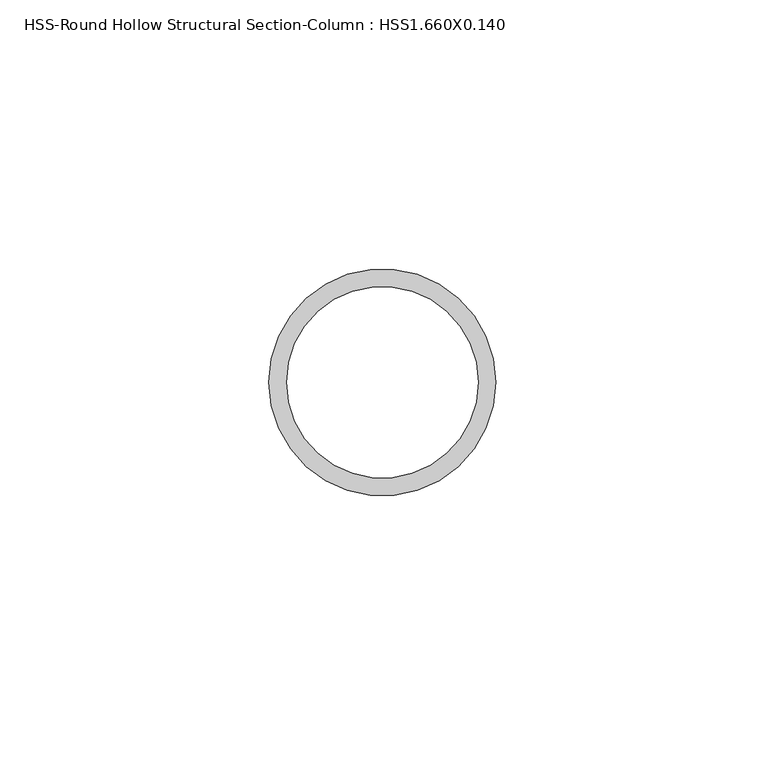
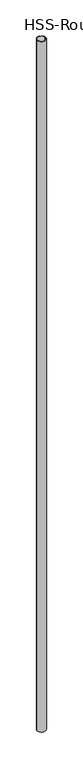
"""IFC4 building model written with IfcOpenShell, lengths in millimetres: column geometry, HSS-Round Hollow Structural Section-Column : HSS1.660X0.140."""

from ifc_helpers import new_model, si_unit, point, origin, origin_with_axes, origin_2d, place, context, project, spatial, circle_curve, trimmed, segment, composite_curve, outline, extrude, source, transform, mapped, element, save


def hss_round_hollow_structural_section_column_hss1_660x0_140_e87e50b9(model_context):
    return source(origin(), model_context, "Body", "SweptSolid", [
        extrude(outline(composite_curve([segment(trimmed(circle_curve(origin_2d(), 21.0839844), [point((-21.0839844, 0.0))], [point((21.0839844, 0.0))], False, "CARTESIAN"), True, "CONTINUOUS"), segment(trimmed(circle_curve(origin_2d(), 21.0839844), [point((21.0839844, 0.0))], [point((-21.0839844, 0.0))], False, "CARTESIAN"), True, "CONTINUOUS")], self_intersect=False), holes=[composite_curve([segment(trimmed(circle_curve(origin_2d(), 17.8097656), [point((-17.8097656, 0.0))], [point((17.8097656, 0.0))], True, "CARTESIAN"), True, "CONTINUOUS"), segment(trimmed(circle_curve(origin_2d(), 17.8097656), [point((17.8097656, 0.0))], [point((-17.8097656, 0.0))], True, "CARTESIAN"), True, "CONTINUOUS")], self_intersect=False)]), origin_with_axes(), (0.0, 0.0, 1.0), 3603.5869205),
    ])


if __name__ == "__main__":
    model = new_model("IFC4")
    model_context = context("Model", 3, world=origin())
    ifc_project = project(units=[si_unit("LENGTHUNIT", "METRE", prefix="MILLI")], contexts=[model_context])
    site = spatial("IfcSite", under=ifc_project)
    building = spatial("IfcBuilding", under=site)
    placement = place(None, origin())
    hss_round_hollow_structural_section_column_hss1_660x0_140_shape = hss_round_hollow_structural_section_column_hss1_660x0_140_e87e50b9(model_context)
    element("IfcColumn", 1, ObjectType="HSS-Round Hollow Structural Section-Column : HSS1.660X0.140", at=placement, inside=building, context=model_context, shape_type="MappedRepresentation", body=[
        mapped(hss_round_hollow_structural_section_column_hss1_660x0_140_shape, transform((0.0, 0.0, 0.0), x_axis=(1.0, 0.0, 0.0), y_axis=(0.0, 1.0, 0.0), z_axis=(0.0, 0.0, 1.0))),
    ])
    save(model, "model.ifc")
